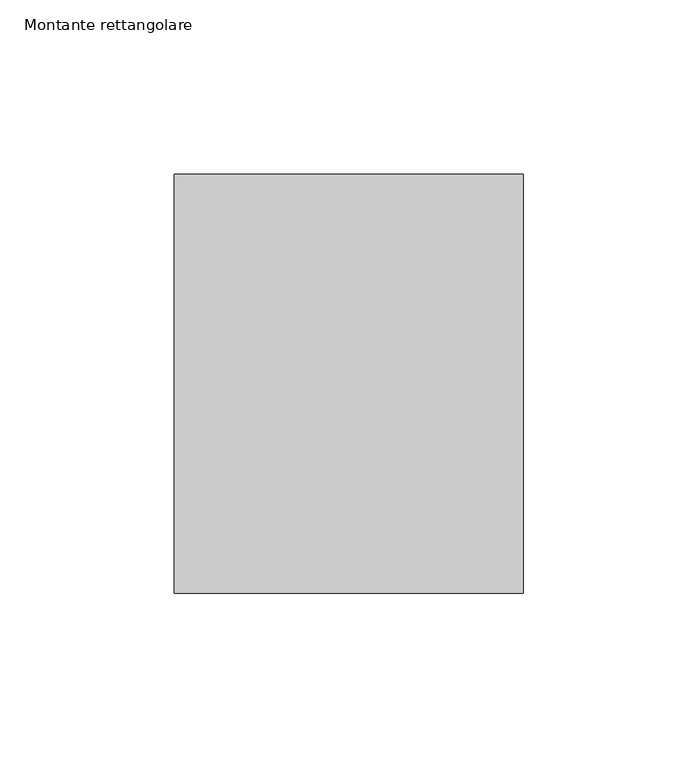
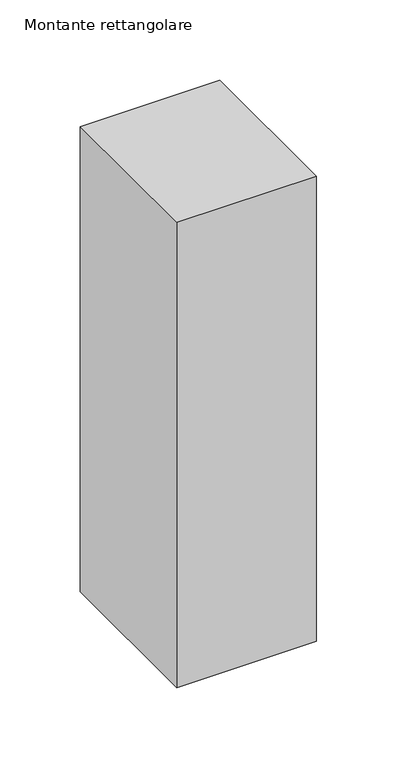
"""IFC4 building model written with IfcOpenShell, lengths in millimetres: member geometry, Montante rettangolare."""

from ifc_helpers import new_model, si_unit, frame, origin, place, context, project, spatial, polyline, outline, extrude, source, transform, mapped, element, save


def montante_rettangolare_6f96e28e(model_context):
    return source(origin(), model_context, "Body", "SweptSolid", [
        extrude(outline(polyline([(0.0, 60.0), (0.0, -60.0), (-100.0, -60.0), (-100.0, 60.0), (0.0, 60.0)])), frame((0.0, 0.0, -353.2504929), z_axis=(0.0, 0.0, 1.0), x_axis=(1.0, 0.0, 0.0)), (0.0, 0.0, 1.0), 353.2504929),
    ])


if __name__ == "__main__":
    model = new_model("IFC4")
    model_context = context("Model", 3, world=origin())
    ifc_project = project(units=[si_unit("LENGTHUNIT", "METRE", prefix="MILLI")], contexts=[model_context])
    site = spatial("IfcSite", under=ifc_project)
    building = spatial("IfcBuilding", under=site)
    placement = place(None, origin())
    montante_rettangolare_shape = montante_rettangolare_6f96e28e(model_context)
    element("IfcMember", 1, ObjectType="Montante rettangolare", at=placement, inside=building, context=model_context, shape_type="MappedRepresentation", body=[
        mapped(montante_rettangolare_shape, transform((0.0, 0.0, 0.0), x_axis=(1.0, 0.0, 0.0), y_axis=(0.0, 1.0, 0.0), z_axis=(0.0, 0.0, 1.0))),
    ])
    save(model, "model.ifc")
